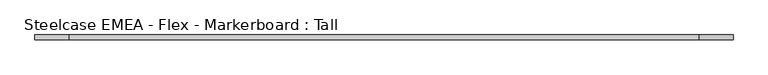
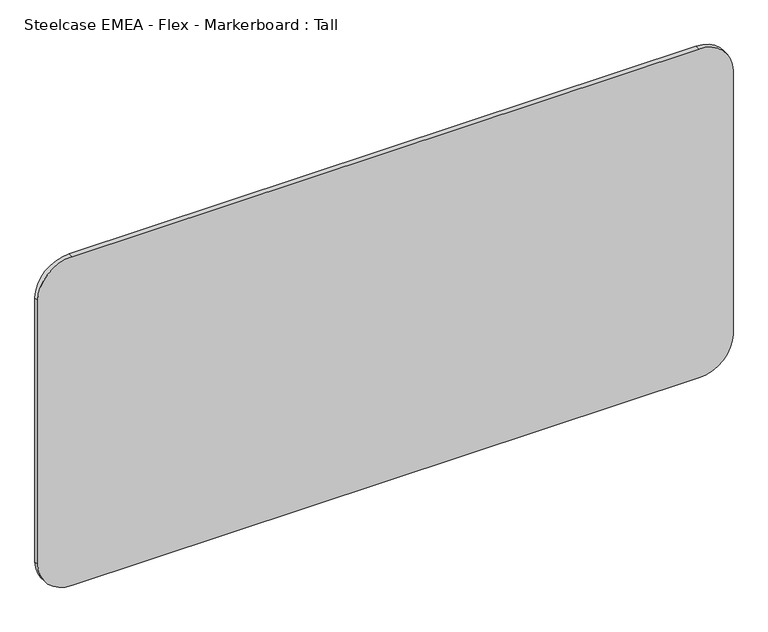
"""IFC4 building model written with IfcOpenShell, lengths in millimetres: furniture geometry, Steelcase EMEA - Flex - Markerboard : Tall."""

from ifc_helpers import new_model, si_unit, point, frame, frame_2d, origin, place, context, project, spatial, polyline, circle_curve, trimmed, segment, composite_curve, outline, extrude, source, transform, mapped, element, save


def steelcase_emea_flex_markerboard_tall_d77e702b(model_context):
    return source(origin(), model_context, "Body", "SweptSolid", [
        extrude(outline(composite_curve([segment(polyline([(900.0, 1711.1), (900.0, 88.9)]), True, "CONTINUOUS"), segment(trimmed(circle_curve(frame_2d((811.1, 88.9)), 88.9), [point((900.0, 88.9))], [point((811.1, 0.0))], False, "CARTESIAN"), True, "CONTINUOUS"), segment(polyline([(811.1, 0.0), (88.9, 0.0)]), True, "CONTINUOUS"), segment(trimmed(circle_curve(frame_2d((88.9, 88.9)), 88.9), [point((88.9, 0.0))], [point((0.0, 88.9))], False, "CARTESIAN"), True, "CONTINUOUS"), segment(polyline([(0.0, 88.9), (0.0, 1711.1)]), True, "CONTINUOUS"), segment(trimmed(circle_curve(frame_2d((88.9, 1711.1)), 88.9), [point((0.0, 1711.1))], [point((88.9, 1800.0))], False, "CARTESIAN"), True, "CONTINUOUS"), segment(polyline([(88.9, 1800.0), (811.1, 1800.0)]), True, "CONTINUOUS"), segment(trimmed(circle_curve(frame_2d((811.1, 1711.1)), 88.9), [point((811.1, 1800.0))], [point((900.0, 1711.1))], False, "CARTESIAN"), True, "CONTINUOUS")], self_intersect=False)), frame((0.0, -12.6931299, 0.0), z_axis=(0.0, 1.0, 0.0), x_axis=(0.0, 0.0, 1.0)), (0.0, 0.0, 1.0), 12.6931299),
    ])


if __name__ == "__main__":
    model = new_model("IFC4")
    model_context = context("Model", 3, world=origin())
    ifc_project = project(units=[si_unit("LENGTHUNIT", "METRE", prefix="MILLI")], contexts=[model_context])
    site = spatial("IfcSite", under=ifc_project)
    building = spatial("IfcBuilding", under=site)
    placement = place(None, origin())
    steelcase_emea_flex_markerboard_tall_shape = steelcase_emea_flex_markerboard_tall_d77e702b(model_context)
    element("IfcFurniture", 1, ObjectType="Steelcase EMEA - Flex - Markerboard : Tall", at=placement, inside=building, context=model_context, shape_type="MappedRepresentation", body=[
        mapped(steelcase_emea_flex_markerboard_tall_shape, transform((0.0, 0.0, 0.0), x_axis=(1.0, 0.0, 0.0), y_axis=(0.0, 1.0, 0.0), z_axis=(0.0, 0.0, 1.0))),
    ])
    save(model, "model.ifc")
